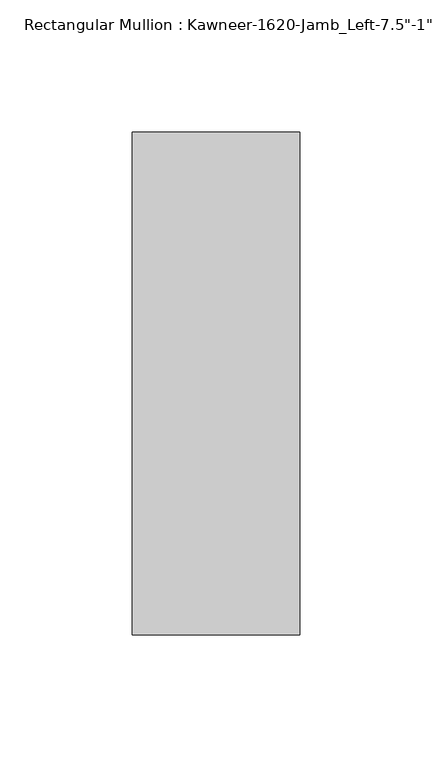
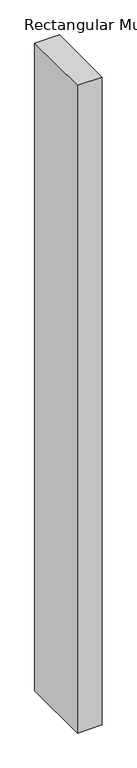
"""IFC4 building model written with IfcOpenShell, lengths in millimetres: member geometry."""

from ifc_helpers import new_model, si_unit, frame, origin, place, context, project, spatial, polyline, outline, extrude, source, transform, mapped, element, save


def member_5fdf9b5e(model_context):
    return source(origin(), model_context, "Body", "SweptSolid", [
        extrude(outline(polyline([(22.225, 38.1), (22.225, -152.4), (-41.275, -152.4), (-41.275, 38.1), (22.225, 38.1)])), frame((0.0, 0.0, -1765.3), z_axis=(0.0, 0.0, 1.0), x_axis=(1.0, 0.0, 0.0)), (0.0, 0.0, 1.0), 1765.3),
    ])


if __name__ == "__main__":
    model = new_model("IFC4")
    model_context = context("Model", 3, world=origin())
    ifc_project = project(units=[si_unit("LENGTHUNIT", "METRE", prefix="MILLI")], contexts=[model_context])
    site = spatial("IfcSite", under=ifc_project)
    building = spatial("IfcBuilding", under=site)
    placement = place(None, origin())
    member_shape = member_5fdf9b5e(model_context)
    element("IfcMember", 1, ObjectType="Rectangular Mullion : Kawneer-1620-Jamb_Left-7.5\"-1\"Infill", at=placement, inside=building, context=model_context, shape_type="MappedRepresentation", body=[
        mapped(member_shape, transform((0.0, 0.0, 0.0), x_axis=(1.0, 0.0, 0.0), y_axis=(0.0, 1.0, 0.0), z_axis=(0.0, 0.0, 1.0))),
    ])
    save(model, "model.ifc")
